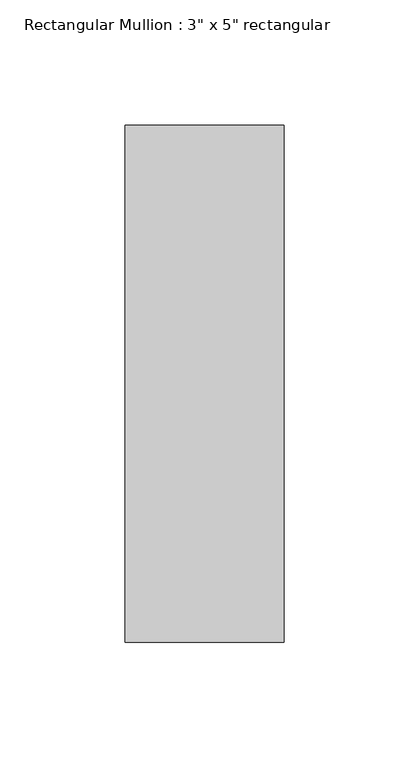
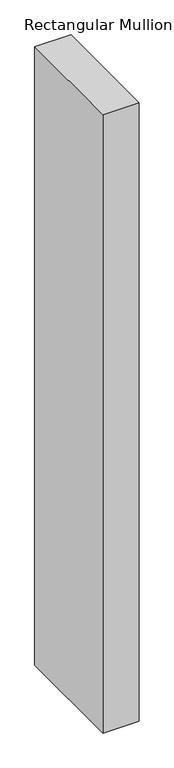
"""IFC4 building model written with IfcOpenShell, lengths in millimetres: member geometry."""

from ifc_helpers import new_model, si_unit, frame, origin, place, context, project, spatial, polyline, outline, extrude, source, transform, mapped, element, save


def member_bb5ec7b6(model_context):
    return source(origin(), model_context, "Body", "SweptSolid", [
        extrude(outline(polyline([(31.75, 90.551), (31.75, -115.951), (-31.75, -115.951), (-31.75, 90.551), (31.75, 90.551)])), frame((0.0, 0.0, -1143.5), z_axis=(0.0, 0.0, 1.0), x_axis=(1.0, 0.0, 0.0)), (0.0, 0.0, 1.0), 1143.5),
    ])


if __name__ == "__main__":
    model = new_model("IFC4")
    model_context = context("Model", 3, world=origin())
    ifc_project = project(units=[si_unit("LENGTHUNIT", "METRE", prefix="MILLI")], contexts=[model_context])
    site = spatial("IfcSite", under=ifc_project)
    building = spatial("IfcBuilding", under=site)
    placement = place(None, origin())
    member_shape = member_bb5ec7b6(model_context)
    element("IfcMember", 1, ObjectType="Rectangular Mullion : 3\" x 5\" rectangular", at=placement, inside=building, context=model_context, shape_type="MappedRepresentation", body=[
        mapped(member_shape, transform((0.0, 0.0, 0.0), x_axis=(1.0, 0.0, 0.0), y_axis=(0.0, 1.0, 0.0), z_axis=(0.0, 0.0, 1.0))),
    ])
    save(model, "model.ifc")
